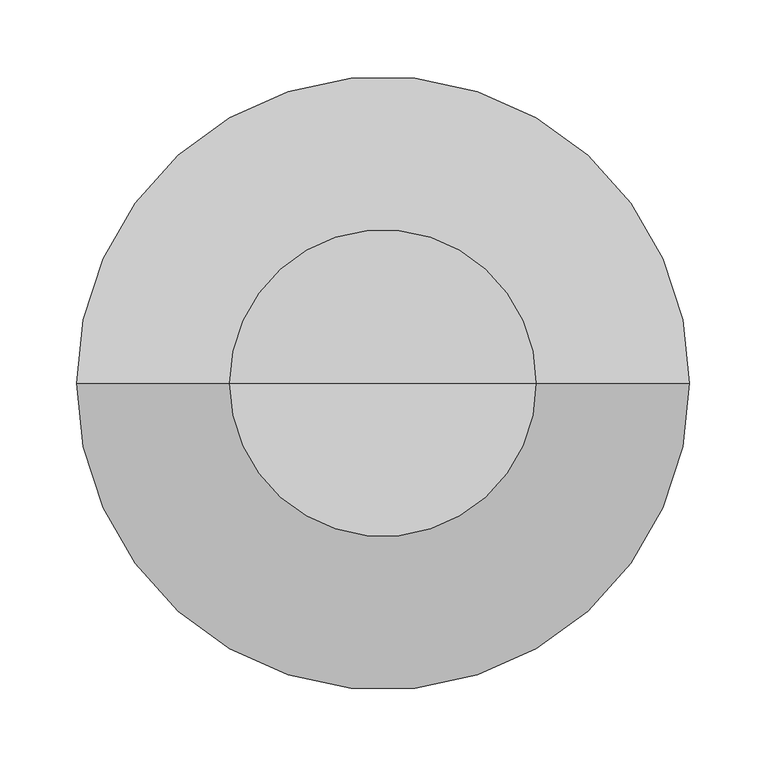
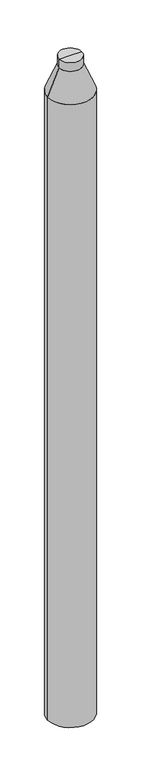
"""IFC4 building model written with IfcOpenShell, lengths in millimetres: column geometry."""

from ifc_helpers import new_model, si_unit, frame, origin, place, context, project, spatial, polyline, circle_curve, source, transform, mapped, element, save
from ifc_brep_helpers import plane_surface, cylinder_surface, revolved_surface, advanced_brep


def column_77287065(model_context):
    return source(origin(), model_context, "Body", "AdvancedBrep", [
        advanced_brep(
        [(-200.0, 0.0, 3210.875), (200.0, 0.0, 3210.875), (200.0, 0.0, -2599.125), (-200.0, 0.0, -2599.125), (0.0, 0.0, -2599.125), (-100.0, 0.0, 3450.875), (100.0, 0.0, 3450.875), (-100.0, 0.0, 3530.875), (100.0, 0.0, 3530.875), (0.0, 0.0, 3530.875)],
        [
            (0, 1, circle_curve(frame((0.0, 0.0, 3210.875), z_axis=(0.0, 0.0, -1.0), x_axis=(1.0, 0.0, 0.0)), 200.0)),
            (1, 2),
            (2, 3, circle_curve(frame((0.0, 0.0, -2599.125), z_axis=(0.0, 0.0, 1.0), x_axis=(1.0, 0.0, 0.0)), 200.0)),
            (3, 0),
            (2, 4),
            (4, 3),
            (2, 3, circle_curve(frame((0.0, 0.0, -2599.125), z_axis=(0.0, 0.0, -1.0), x_axis=(1.0, 0.0, 0.0)), 200.0)),
            (1, 0, circle_curve(frame((0.0, 0.0, 3210.875), z_axis=(0.0, 0.0, -1.0), x_axis=(1.0, 0.0, 0.0)), 200.0)),
            (5, 6, circle_curve(frame((0.0, 0.0, 3450.875), z_axis=(0.0, 0.0, -1.0), x_axis=(1.0, 0.0, 0.0)), 100.0)),
            (6, 1),
            (0, 5),
            (6, 5, circle_curve(frame((0.0, 0.0, 3450.875), z_axis=(0.0, 0.0, -1.0), x_axis=(1.0, 0.0, 0.0)), 100.0)),
            (7, 8, circle_curve(frame((0.0, 0.0, 3530.875), z_axis=(0.0, 0.0, -1.0), x_axis=(1.0, 0.0, 0.0)), 100.0)),
            (8, 6),
            (5, 7),
            (8, 7, circle_curve(frame((0.0, 0.0, 3530.875), z_axis=(0.0, 0.0, -1.0), x_axis=(1.0, 0.0, 0.0)), 100.0)),
            (9, 8),
            (7, 9),
        ],
        [
            cylinder_surface(frame((0.0, 0.0, 3172.1059986), z_axis=(0.0, 0.0, 1.0), x_axis=(1.0, 0.0, 0.0)), 200.0),
            plane_surface(frame((0.0, 0.0, -2599.125), z_axis=(0.0, 0.0, -1.0), x_axis=(1.0, 0.0, 0.0))),
            revolved_surface(polyline([(200.0, 0.0, 3210.875), (100.0, 0.0, 3450.875)]), (0.0, 0.0, 3172.1059986), (0.0, 0.0, 1.0)),
            cylinder_surface(frame((0.0, 0.0, 3172.1059986), z_axis=(0.0, 0.0, 1.0), x_axis=(1.0, 0.0, 0.0)), 100.0),
            plane_surface(frame((0.0, 0.0, 3530.875), z_axis=(0.0, 0.0, 1.0), x_axis=(1.0, 0.0, 0.0))),
        ],
        [
            (0, [[1, 2, 3, 4]]),
            (1, [[-3, 5, 6]]),
            (1, [[7, -6, -5]]),
            (0, [[8, -4, -7, -2]]),
            (2, [[9, 10, -1, 11]]),
            (2, [[12, -11, -8, -10]]),
            (3, [[13, 14, -9, 15]]),
            (3, [[16, -15, -12, -14]]),
            (4, [[17, -13, 18]]),
            (4, [[-18, -16, -17]]),
        ],
    ),
    ])


if __name__ == "__main__":
    model = new_model("IFC4")
    model_context = context("Model", 3, world=origin())
    ifc_project = project(units=[si_unit("LENGTHUNIT", "METRE", prefix="MILLI")], contexts=[model_context])
    site = spatial("IfcSite", under=ifc_project)
    building = spatial("IfcBuilding", under=site)
    placement = place(None, origin())
    column_shape = column_77287065(model_context)
    element("IfcColumn", 1, at=placement, inside=building, context=model_context, shape_type="MappedRepresentation", body=[
        mapped(column_shape, transform((0.0, 0.0, 0.0), x_axis=(1.0, 0.0, 0.0), y_axis=(0.0, 1.0, 0.0), z_axis=(0.0, 0.0, 1.0))),
    ])
    save(model, "model.ifc")
